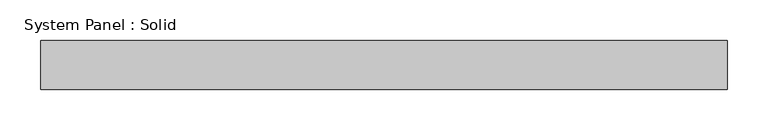
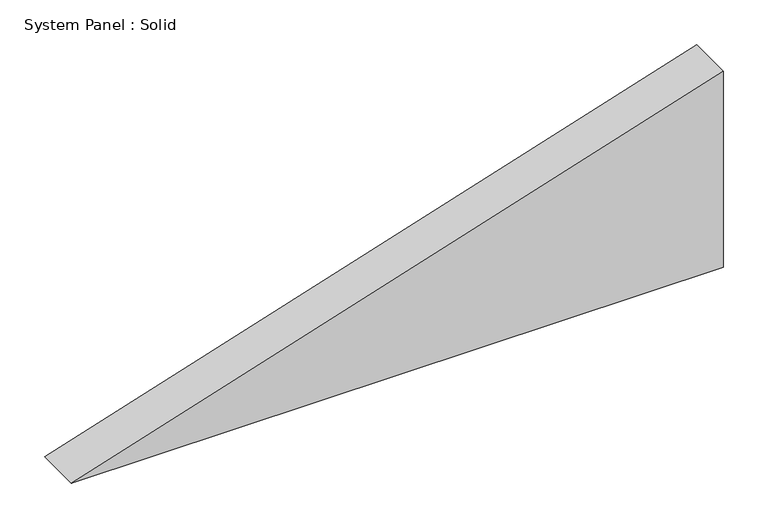
"""IFC4 building model written with IfcOpenShell, lengths in millimetres: plate geometry, System Panel : Solid."""

from ifc_helpers import new_model, si_unit, frame, origin, place, context, project, spatial, polyline, outline, extrude, source, transform, mapped, element, save


def system_panel_solid_cf7a72f8(model_context):
    return source(origin(), model_context, "Body", "SweptSolid", [
        extrude(outline(polyline([(0.0, -421.8665251), (0.0, 421.8665251), (268.2062114, 421.8665251), (0.0, -421.8665251)])), frame((0.0, -10.5, 0.0), z_axis=(0.0, 1.0, 0.0), x_axis=(0.0, 0.0, 1.0)), (0.0, 0.0, 1.0), 60.0),
    ])


if __name__ == "__main__":
    model = new_model("IFC4")
    model_context = context("Model", 3, world=origin())
    ifc_project = project(units=[si_unit("LENGTHUNIT", "METRE", prefix="MILLI")], contexts=[model_context])
    site = spatial("IfcSite", under=ifc_project)
    building = spatial("IfcBuilding", under=site)
    placement = place(None, origin())
    system_panel_solid_shape = system_panel_solid_cf7a72f8(model_context)
    element("IfcPlate", 1, ObjectType="System Panel : Solid", at=placement, inside=building, context=model_context, shape_type="MappedRepresentation", body=[
        mapped(system_panel_solid_shape, transform((0.0, 0.0, 0.0), x_axis=(1.0, 0.0, 0.0), y_axis=(0.0, 1.0, 0.0), z_axis=(0.0, 0.0, 1.0))),
    ])
    save(model, "model.ifc")
